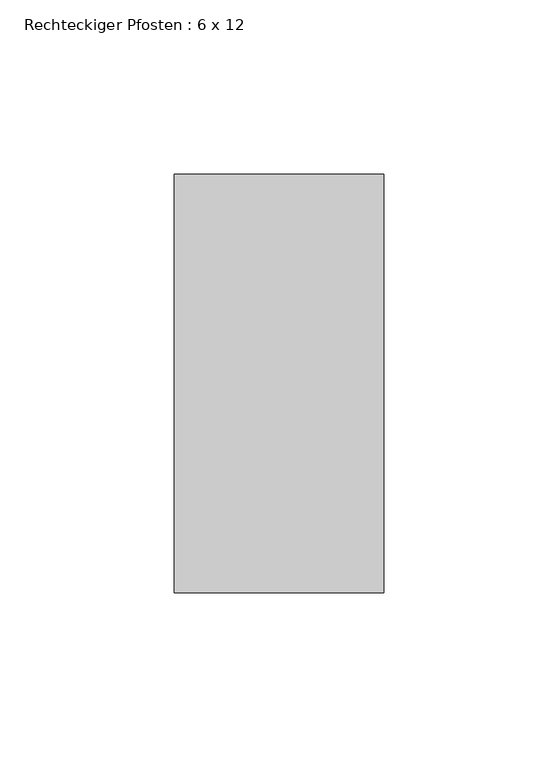
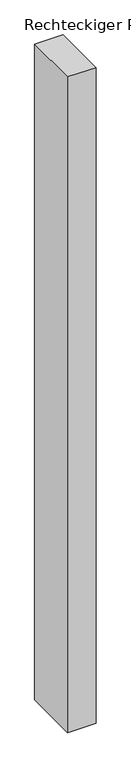
"""IFC4 building model written with IfcOpenShell, lengths in millimetres: member geometry, Rechteckiger Pfosten : 6 x 12."""

from ifc_helpers import new_model, si_unit, frame, origin, place, context, project, spatial, polyline, outline, extrude, source, transform, mapped, element, save


def rechteckiger_pfosten_6_x_12_f2268f4f(model_context):
    return source(origin(), model_context, "Body", "SweptSolid", [
        extrude(outline(polyline([(30.0, 60.0), (30.0, -60.0), (-30.0, -60.0), (-30.0, 60.0), (30.0, 60.0)])), frame((0.0, 0.0, -1465.0294528), z_axis=(0.0, 0.0, 1.0), x_axis=(1.0, 0.0, 0.0)), (0.0, 0.0, 1.0), 1465.0294528),
    ])


if __name__ == "__main__":
    model = new_model("IFC4")
    model_context = context("Model", 3, world=origin())
    ifc_project = project(units=[si_unit("LENGTHUNIT", "METRE", prefix="MILLI")], contexts=[model_context])
    site = spatial("IfcSite", under=ifc_project)
    building = spatial("IfcBuilding", under=site)
    placement = place(None, origin())
    rechteckiger_pfosten_6_x_12_shape = rechteckiger_pfosten_6_x_12_f2268f4f(model_context)
    element("IfcMember", 1, ObjectType="Rechteckiger Pfosten : 6 x 12", at=placement, inside=building, context=model_context, shape_type="MappedRepresentation", body=[
        mapped(rechteckiger_pfosten_6_x_12_shape, transform((0.0, 0.0, 0.0), x_axis=(1.0, 0.0, 0.0), y_axis=(0.0, 1.0, 0.0), z_axis=(0.0, 0.0, 1.0))),
    ])
    save(model, "model.ifc")
